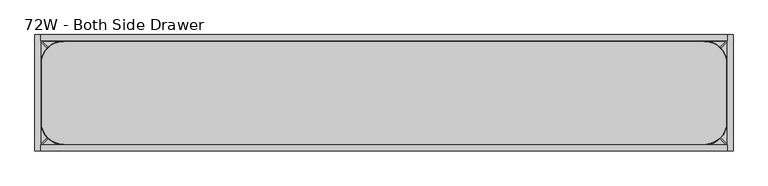
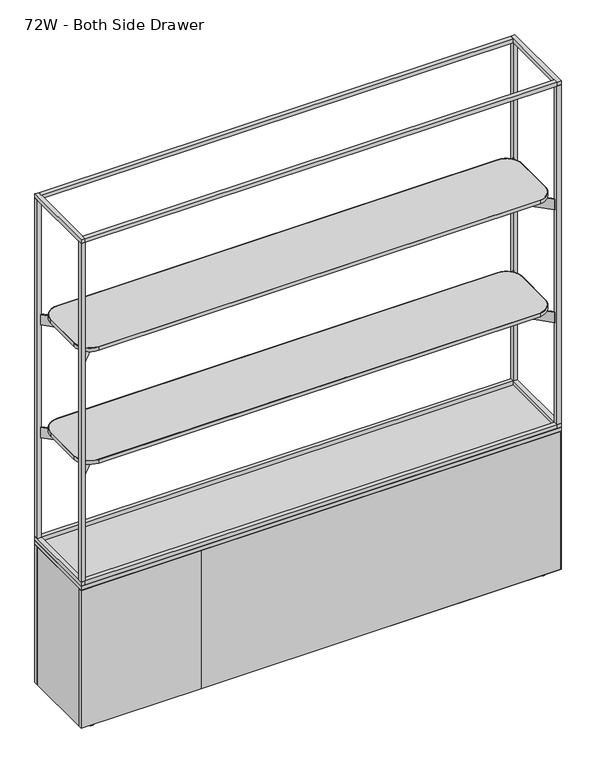
"""IFC4 building model written with IfcOpenShell, lengths in millimetres: furniture geometry, 72W - Both Side Drawer."""

from ifc_helpers import new_model, si_unit, point, frame, frame_2d, origin, place, context, project, spatial, polyline, circle_curve, trimmed, segment, composite_curve, outline, extrude, source, transform, mapped, element, save
from ifc_brep_helpers import plane_surface, cylinder_surface, revolved_surface, advanced_brep


def furniture_72w_both_side_drawer_abf2aa92(model_context):
    return source(origin(), model_context, "Body", "SolidModel", [
        extrude(outline(composite_curve([segment(trimmed(circle_curve(frame_2d((75.8254378, -75.8242865)), 59.944), [point((15.8814378, -75.8242865))], [point((75.8254378, -15.8802865))], False, "CARTESIAN"), True, "CONTINUOUS"), segment(polyline([(75.8254378, -15.8802865), (1752.9745622, -15.8802865)]), True, "CONTINUOUS"), segment(trimmed(circle_curve(frame_2d((1752.9745622, -75.8242865)), 59.944), [point((1752.9745622, -15.8802865))], [point((1812.9185622, -75.8242865))], False, "CARTESIAN"), True, "CONTINUOUS"), segment(polyline([(1812.9185622, -75.8242865), (1812.9185622, -229.1877994)]), True, "CONTINUOUS"), segment(trimmed(circle_curve(frame_2d((1752.9745622, -229.1877994)), 59.944), [point((1812.9185622, -229.1877994))], [point((1758.0138969, -288.9196021))], False, "CARTESIAN"), True, "CONTINUOUS"), segment(polyline([(1758.0138969, -288.9196021), (75.9054892, -288.9196021)]), True, "CONTINUOUS"), segment(trimmed(circle_curve(frame_2d((75.9054892, -228.8955507)), 60.0240513), [point((75.9054892, -288.9196021))], [point((15.8814378, -228.8955507))], False, "CARTESIAN"), True, "CONTINUOUS"), segment(polyline([(15.8814378, -228.8955507), (15.8814378, -75.8242865)]), True, "CONTINUOUS")], self_intersect=False), holes=[composite_curve([segment(polyline([(1753.0050916, -17.3811918), (75.7950053, -17.3811918)]), True, "CONTINUOUS"), segment(trimmed(circle_curve(frame_2d((75.7950053, -75.8011918)), 58.42), [point((75.7950053, -17.3811918))], [point((17.3750053, -75.8011918))], True, "CARTESIAN"), True, "CONTINUOUS"), segment(polyline([(17.3750053, -75.8011918), (17.3750053, -228.9211866)]), True, "CONTINUOUS"), segment(trimmed(circle_curve(frame_2d((75.8750567, -228.9211866)), 58.5000513), [point((17.3750053, -228.9211866))], [point((75.8827762, -287.4212374))], True, "CARTESIAN"), True, "CONTINUOUS"), segment(polyline([(75.8827762, -287.4212374), (1757.6701856, -287.4212374)]), True, "CONTINUOUS"), segment(trimmed(circle_curve(frame_2d((1753.0050916, -229.1877994)), 58.42), [point((1757.6701856, -287.4212374))], [point((1811.4250916, -229.1877994))], True, "CARTESIAN"), True, "CONTINUOUS"), segment(polyline([(1811.4250916, -229.1877994), (1811.4250916, -75.8011918)]), True, "CONTINUOUS"), segment(trimmed(circle_curve(frame_2d((1753.0050916, -75.8011918)), 58.42), [point((1811.4250916, -75.8011918))], [point((1753.0050916, -17.3811918))], True, "CARTESIAN"), True, "CONTINUOUS")], self_intersect=False)]), frame((0.0, 0.0, 1504.6380035), z_axis=(0.0, 0.0, 1.0), x_axis=(1.0, 0.0, 0.0)), (0.0, 0.0, 1.0), 13.8177612),
        extrude(outline(polyline([(-161.9665934, 1498.3383551), (-143.317536, 1498.3383551), (-143.317536, 1495.9705532), (-144.4220029, 1494.8660863), (-160.8082501, 1494.8660863), (-161.9665934, 1496.0244297), (-161.9665934, 1498.3383551)])), frame((185.6954716, 0.0, 0.0), z_axis=(1.0, 0.0, 0.0), x_axis=(0.0, 1.0, 0.0)), (0.0, 0.0, 1.0), 1457.4090567),
        extrude(outline(polyline([(-177.0817057, 1504.2068283), (-128.2024237, 1504.2068283), (-128.2024237, 1500.5035098), (-135.8974528, 1496.5826966), (-143.317536, 1494.5944913), (-143.317536, 1498.3383551), (-161.9665934, 1498.3383551), (-161.9665934, 1494.5944913), (-169.3866765, 1496.5826966), (-177.0817057, 1500.5035098), (-177.0817057, 1504.2068283)])), frame((185.6954716, 0.0, 0.0), z_axis=(1.0, 0.0, 0.0), x_axis=(0.0, 1.0, 0.0)), (0.0, 0.0, 1.0), 1457.4090567),
        extrude(outline(polyline([(-161.9665934, 1044.3133551), (-143.317536, 1044.3133551), (-143.317536, 1041.9455532), (-144.4220029, 1040.8410863), (-160.8082501, 1040.8410863), (-161.9665934, 1041.9994297), (-161.9665934, 1044.3133551)])), frame((185.6954716, 0.0, 0.0), z_axis=(1.0, 0.0, 0.0), x_axis=(0.0, 1.0, 0.0)), (0.0, 0.0, 1.0), 1457.4090567),
        extrude(outline(polyline([(-177.0817057, 1050.1818283), (-128.2024237, 1050.1818283), (-128.2024237, 1046.4785098), (-135.8974528, 1042.5576966), (-143.317536, 1040.5694913), (-143.317536, 1044.3133551), (-161.9665934, 1044.3133551), (-161.9665934, 1040.5694913), (-169.3866765, 1042.5576966), (-177.0817057, 1046.4785098), (-177.0817057, 1050.1818283)])), frame((185.6954716, 0.0, 0.0), z_axis=(1.0, 0.0, 0.0), x_axis=(0.0, 1.0, 0.0)), (0.0, 0.0, 1.0), 1457.4090567),
        extrude(outline(composite_curve([segment(trimmed(circle_curve(frame_2d((1753.0050916, -75.8011918)), 58.42), [point((1753.0050916, -17.3811918))], [point((1811.4250916, -75.8011918))], False, "CARTESIAN"), True, "CONTINUOUS"), segment(polyline([(1811.4250916, -75.8011918), (1811.4250916, -229.1877994)]), True, "CONTINUOUS"), segment(trimmed(circle_curve(frame_2d((1753.0050916, -229.1877994)), 58.42), [point((1811.4250916, -229.1877994))], [point((1757.6701856, -287.4212374))], False, "CARTESIAN"), True, "CONTINUOUS"), segment(polyline([(1757.6701856, -287.4212374), (75.8827762, -287.4212374)]), True, "CONTINUOUS"), segment(trimmed(circle_curve(frame_2d((75.8750567, -228.9211866)), 58.5000513), [point((75.8827762, -287.4212374))], [point((17.3750053, -228.9211866))], False, "CARTESIAN"), True, "CONTINUOUS"), segment(polyline([(17.3750053, -228.9211866), (17.3750053, -75.8011918)]), True, "CONTINUOUS"), segment(trimmed(circle_curve(frame_2d((75.7950053, -75.8011918)), 58.42), [point((17.3750053, -75.8011918))], [point((75.7950053, -17.3811918))], False, "CARTESIAN"), True, "CONTINUOUS"), segment(polyline([(75.7950053, -17.3811918), (1753.0050916, -17.3811918)]), True, "CONTINUOUS")], self_intersect=False)), frame((0.0, 0.0, 1504.6380035), z_axis=(0.0, 0.0, 1.0), x_axis=(1.0, 0.0, 0.0)), (0.0, 0.0, 1.0), 13.8177612),
        extrude(outline(composite_curve([segment(trimmed(circle_curve(frame_2d((1752.9745622, -75.8242865)), 59.944), [point((1752.9745622, -15.8802865))], [point((1812.9185622, -75.8242865))], False, "CARTESIAN"), True, "CONTINUOUS"), segment(polyline([(1812.9185622, -75.8242865), (1812.9185622, -229.1877994)]), True, "CONTINUOUS"), segment(trimmed(circle_curve(frame_2d((1752.9745622, -229.1877994)), 59.944), [point((1812.9185622, -229.1877994))], [point((1758.0138969, -288.9196021))], False, "CARTESIAN"), True, "CONTINUOUS"), segment(polyline([(1758.0138969, -288.9196021), (75.9054892, -288.9196021)]), True, "CONTINUOUS"), segment(trimmed(circle_curve(frame_2d((75.9054892, -228.8955507)), 60.0240513), [point((75.9054892, -288.9196021))], [point((15.8814378, -228.8955507))], False, "CARTESIAN"), True, "CONTINUOUS"), segment(polyline([(15.8814378, -228.8955507), (15.8814378, -75.8242865)]), True, "CONTINUOUS"), segment(trimmed(circle_curve(frame_2d((75.8254378, -75.8242865)), 59.944), [point((15.8814378, -75.8242865))], [point((75.8254378, -15.8802865))], False, "CARTESIAN"), True, "CONTINUOUS"), segment(polyline([(75.8254378, -15.8802865), (1752.9745622, -15.8802865)]), True, "CONTINUOUS")], self_intersect=False), holes=[composite_curve([segment(trimmed(circle_curve(frame_2d((75.7950053, -75.8011918)), 58.42), [point((75.7950053, -17.3811918))], [point((17.3750053, -75.8011918))], True, "CARTESIAN"), True, "CONTINUOUS"), segment(polyline([(17.3750053, -75.8011918), (17.3750053, -228.9211866)]), True, "CONTINUOUS"), segment(trimmed(circle_curve(frame_2d((75.8750567, -228.9211866)), 58.5000513), [point((17.3750053, -228.9211866))], [point((75.8827762, -287.4212374))], True, "CARTESIAN"), True, "CONTINUOUS"), segment(polyline([(75.8827762, -287.4212374), (1757.6701856, -287.4212374)]), True, "CONTINUOUS"), segment(trimmed(circle_curve(frame_2d((1753.0050916, -229.1877994)), 58.42), [point((1757.6701856, -287.4212374))], [point((1811.4250916, -229.1877994))], True, "CARTESIAN"), True, "CONTINUOUS"), segment(polyline([(1811.4250916, -229.1877994), (1811.4250916, -75.8011918)]), True, "CONTINUOUS"), segment(trimmed(circle_curve(frame_2d((1753.0050916, -75.8011918)), 58.42), [point((1811.4250916, -75.8011918))], [point((1753.0050916, -17.3811918))], True, "CARTESIAN"), True, "CONTINUOUS"), segment(polyline([(1753.0050916, -17.3811918), (75.7950053, -17.3811918)]), True, "CONTINUOUS")], self_intersect=False)]), frame((0.0, 0.0, 1050.6130035), z_axis=(0.0, 0.0, 1.0), x_axis=(1.0, 0.0, 0.0)), (0.0, 0.0, 1.0), 13.8177612),
        extrude(outline(composite_curve([segment(trimmed(circle_curve(frame_2d((1753.0050916, -75.8011918)), 58.42), [point((1753.0050916, -17.3811918))], [point((1811.4250916, -75.8011918))], False, "CARTESIAN"), True, "CONTINUOUS"), segment(polyline([(1811.4250916, -75.8011918), (1811.4250916, -229.1877994)]), True, "CONTINUOUS"), segment(trimmed(circle_curve(frame_2d((1753.0050916, -229.1877994)), 58.42), [point((1811.4250916, -229.1877994))], [point((1757.6701856, -287.4212374))], False, "CARTESIAN"), True, "CONTINUOUS"), segment(polyline([(1757.6701856, -287.4212374), (75.8827762, -287.4212374)]), True, "CONTINUOUS"), segment(trimmed(circle_curve(frame_2d((75.8750567, -228.9211866)), 58.5000513), [point((75.8827762, -287.4212374))], [point((17.3750053, -228.9211866))], False, "CARTESIAN"), True, "CONTINUOUS"), segment(polyline([(17.3750053, -228.9211866), (17.3750053, -75.8011918)]), True, "CONTINUOUS"), segment(trimmed(circle_curve(frame_2d((75.7950053, -75.8011918)), 58.42), [point((17.3750053, -75.8011918))], [point((75.7950053, -17.3811918))], False, "CARTESIAN"), True, "CONTINUOUS"), segment(polyline([(75.7950053, -17.3811918), (1753.0050916, -17.3811918)]), True, "CONTINUOUS")], self_intersect=False)), frame((0.0, 0.0, 1050.6130035), z_axis=(0.0, 0.0, 1.0), x_axis=(1.0, 0.0, 0.0)), (0.0, 0.0, 1.0), 13.8177612),
        extrude(outline(polyline([(185.6954716, -106.6550188), (185.6954716, -198.1363516), (124.7354716, -198.1363516), (124.7354716, -106.6550188), (185.6954716, -106.6550188)])), frame((0.0, 0.0, 1463.1180573), z_axis=(0.0, 0.0, 1.0), x_axis=(1.0, 0.0, 0.0)), (0.0, 0.0, 1.0), 41.5199463),
        extrude(outline(polyline([(1643.1045284, -106.6550188), (1704.0645284, -106.6550188), (1704.0645284, -198.1363516), (1643.1045284, -198.1363516), (1643.1045284, -106.6550188)])), frame((0.0, 0.0, 1463.1180573), z_axis=(0.0, 0.0, 1.0), x_axis=(1.0, 0.0, 0.0)), (0.0, 0.0, 1.0), 41.5199463),
        extrude(outline(polyline([(185.6954716, -106.6550188), (185.6954716, -198.1363516), (124.7354716, -198.1363516), (124.7354716, -106.6550188), (185.6954716, -106.6550188)])), frame((0.0, 0.0, 1009.0930573), z_axis=(0.0, 0.0, 1.0), x_axis=(1.0, 0.0, 0.0)), (0.0, 0.0, 1.0), 41.5199463),
        extrude(outline(polyline([(1704.0645284, -106.6550188), (1704.0645284, -198.1363516), (1643.1045284, -198.1363516), (1643.1045284, -106.6550188), (1704.0645284, -106.6550188)])), frame((0.0, 0.0, 1009.0930573), z_axis=(0.0, 0.0, 1.0), x_axis=(1.0, 0.0, 0.0)), (0.0, 0.0, 1.0), 41.5199463),
        extrude(outline(composite_curve([segment(polyline([(87.3911774, -89.8157239), (13.4581417, -15.8822522), (15.8765503, -13.4638437), (89.809053, -87.3967582)]), True, "CONTINUOUS"), segment(trimmed(circle_curve(frame_2d((128.3291811, -48.8768447)), 54.4755358), [point((89.809053, -87.3967582))], [point((124.7354716, -103.2337141))], True, "CARTESIAN"), True, "CONTINUOUS"), segment(polyline([(124.7354716, -103.2337141), (1704.0645284, -103.2337141)]), True, "CONTINUOUS"), segment(trimmed(circle_curve(frame_2d((1700.4853714, -48.8831384)), 54.4682976), [point((1704.0645284, -103.2337141))], [point((1739.0002487, -87.3980663))], True, "CARTESIAN"), True, "CONTINUOUS"), segment(polyline([(1739.0002487, -87.3980663), (1812.933139, -13.4652728), (1815.3515597, -15.8836935), (1741.4181244, -89.817032)]), True, "CONTINUOUS"), segment(trimmed(circle_curve(frame_2d((1704.0645284, -56.8031881)), 49.8518307), [point((1741.4181244, -89.817032))], [point((1704.0645284, -106.6550188))], False, "CARTESIAN"), True, "CONTINUOUS"), segment(polyline([(1704.0645284, -106.6550188), (124.7354716, -106.6550188)]), True, "CONTINUOUS"), segment(trimmed(circle_curve(frame_2d((124.7354716, -56.8263835)), 49.8286353), [point((124.7354716, -106.6550188))], [point((87.3911774, -89.8157239))], False, "CARTESIAN"), True, "CONTINUOUS")], self_intersect=False)), frame((0.0, 0.0, 1463.1180573), z_axis=(0.0, 0.0, 1.0), x_axis=(1.0, 0.0, 0.0)), (0.0, 0.0, 1.0), 41.5199463),
        extrude(outline(composite_curve([segment(trimmed(circle_curve(frame_2d((1700.4695146, -255.9344745)), 57.909819), [point((1704.0645284, -198.1363516))], [point((1741.4180275, -214.986136))], False, "CARTESIAN"), True, "CONTINUOUS"), segment(polyline([(1741.4180275, -214.986136), (1815.3448135, -288.9132369), (1812.926405, -291.3316455), (1739.0001518, -217.4051017)]), True, "CONTINUOUS"), segment(trimmed(circle_curve(frame_2d((1704.0645284, -248.0197355)), 46.4516263), [point((1739.0001518, -217.4051017))], [point((1704.0645284, -201.5681092))], True, "CARTESIAN"), True, "CONTINUOUS"), segment(polyline([(1704.0645284, -201.5681092), (124.7354716, -201.5681092)]), True, "CONTINUOUS"), segment(trimmed(circle_curve(frame_2d((128.3250754, -255.9203711)), 54.4706676), [point((124.7354716, -201.5681092))], [point((89.8084717, -217.4038179))], True, "CARTESIAN"), True, "CONTINUOUS"), segment(polyline([(89.8084717, -217.4038179), (15.8821217, -291.3302648), (13.4637131, -288.9118562), (87.390596, -214.9848279)]), True, "CONTINUOUS"), segment(trimmed(circle_curve(frame_2d((124.7354716, -247.9483006)), 49.8119491), [point((87.390596, -214.9848279))], [point((124.7354716, -198.1363516))], False, "CARTESIAN"), True, "CONTINUOUS"), segment(polyline([(124.7354716, -198.1363516), (1704.0645284, -198.1363516)]), True, "CONTINUOUS")], self_intersect=False)), frame((0.0, 0.0, 1463.1180573), z_axis=(0.0, 0.0, 1.0), x_axis=(1.0, 0.0, 0.0)), (0.0, 0.0, 1.0), 41.5199463),
        extrude(outline(composite_curve([segment(polyline([(87.3911774, -89.8157239), (13.4581417, -15.8822522), (15.8765503, -13.4638437), (89.809053, -87.3967582)]), True, "CONTINUOUS"), segment(trimmed(circle_curve(frame_2d((128.3291811, -48.8768447)), 54.4755358), [point((89.809053, -87.3967582))], [point((124.7354716, -103.2337141))], True, "CARTESIAN"), True, "CONTINUOUS"), segment(polyline([(124.7354716, -103.2337141), (1704.0645284, -103.2337141)]), True, "CONTINUOUS"), segment(trimmed(circle_curve(frame_2d((1700.4853714, -48.8831384)), 54.4682976), [point((1704.0645284, -103.2337141))], [point((1739.0002487, -87.3980663))], True, "CARTESIAN"), True, "CONTINUOUS"), segment(polyline([(1739.0002487, -87.3980663), (1812.933139, -13.4652728), (1815.3515597, -15.8836935), (1741.4181244, -89.817032)]), True, "CONTINUOUS"), segment(trimmed(circle_curve(frame_2d((1704.0645284, -56.8031881)), 49.8518307), [point((1741.4181244, -89.817032))], [point((1704.0645284, -106.6550188))], False, "CARTESIAN"), True, "CONTINUOUS"), segment(polyline([(1704.0645284, -106.6550188), (124.7354716, -106.6550188)]), True, "CONTINUOUS"), segment(trimmed(circle_curve(frame_2d((124.7354716, -56.8263835)), 49.8286353), [point((124.7354716, -106.6550188))], [point((87.3911774, -89.8157239))], False, "CARTESIAN"), True, "CONTINUOUS")], self_intersect=False)), frame((0.0, 0.0, 1009.0930573), z_axis=(0.0, 0.0, 1.0), x_axis=(1.0, 0.0, 0.0)), (0.0, 0.0, 1.0), 41.5199463),
        extrude(outline(composite_curve([segment(trimmed(circle_curve(frame_2d((1700.4695146, -255.9344745)), 57.909819), [point((1704.0645284, -198.1363516))], [point((1741.4180275, -214.986136))], False, "CARTESIAN"), True, "CONTINUOUS"), segment(polyline([(1741.4180275, -214.986136), (1815.3448135, -288.9132369), (1812.926405, -291.3316455), (1739.0001518, -217.4051017)]), True, "CONTINUOUS"), segment(trimmed(circle_curve(frame_2d((1704.0645284, -248.0197355)), 46.4516263), [point((1739.0001518, -217.4051017))], [point((1704.0645284, -201.5681092))], True, "CARTESIAN"), True, "CONTINUOUS"), segment(polyline([(1704.0645284, -201.5681092), (124.7354716, -201.5681092)]), True, "CONTINUOUS"), segment(trimmed(circle_curve(frame_2d((128.3250754, -255.9203711)), 54.4706676), [point((124.7354716, -201.5681092))], [point((89.8084717, -217.4038179))], True, "CARTESIAN"), True, "CONTINUOUS"), segment(polyline([(89.8084717, -217.4038179), (15.8821217, -291.3302648), (13.4637131, -288.9118562), (87.390596, -214.9848279)]), True, "CONTINUOUS"), segment(trimmed(circle_curve(frame_2d((124.7354716, -247.9483006)), 49.8119491), [point((87.390596, -214.9848279))], [point((124.7354716, -198.1363516))], False, "CARTESIAN"), True, "CONTINUOUS"), segment(polyline([(124.7354716, -198.1363516), (1704.0645284, -198.1363516)]), True, "CONTINUOUS")], self_intersect=False)), frame((0.0, 0.0, 1009.0930573), z_axis=(0.0, 0.0, 1.0), x_axis=(1.0, 0.0, 0.0)), (0.0, 0.0, 1.0), 41.5199463),
        extrude(outline(polyline([(1812.9185622, 0.0), (1812.9185622, -15.8802865), (15.8814378, -15.8802865), (15.8814378, 0.0), (1812.9185622, 0.0)])), frame((0.0, 0.0, 1969.4305479), z_axis=(0.0, 0.0, 1.0), x_axis=(1.0, 0.0, 0.0)), (0.0, 0.0, 1.0), 15.3798752),
        extrude(outline(polyline([(1812.9185622, -288.9196021), (1812.9185622, -304.8), (15.8814378, -304.8), (15.8814378, -288.9196021), (1812.9185622, -288.9196021)])), frame((0.0, 0.0, 1969.4305479), z_axis=(0.0, 0.0, 1.0), x_axis=(1.0, 0.0, 0.0)), (0.0, 0.0, 1.0), 15.3798752),
        extrude(outline(polyline([(1812.9185622, 0.0), (1812.9185622, -15.8802865), (15.8814378, -15.8802865), (15.8814378, 0.0), (1812.9185622, 0.0)])), frame((0.0, 0.0, 591.366423), z_axis=(0.0, 0.0, 1.0), x_axis=(1.0, 0.0, 0.0)), (0.0, 0.0, 1.0), 15.8800385),
        extrude(outline(polyline([(1812.9185622, -288.9196021), (1812.9185622, -304.8), (15.8814378, -304.8), (15.8814378, -288.9196021), (1812.9185622, -288.9196021)])), frame((0.0, 0.0, 591.366423), z_axis=(0.0, 0.0, 1.0), x_axis=(1.0, 0.0, 0.0)), (0.0, 0.0, 1.0), 15.8800385),
        extrude(outline(polyline([(15.8814378, 0.0), (15.8814378, -15.8802865), (0.0, -15.8802865), (0.0, 0.0), (15.8814378, 0.0)])), frame((0.0, 0.0, 607.2464615), z_axis=(0.0, 0.0, 1.0), x_axis=(1.0, 0.0, 0.0)), (0.0, 0.0, 1.0), 1362.1840864),
        extrude(outline(polyline([(15.8814378, -304.8), (0.0, -304.8), (0.0, -288.9196021), (15.8814378, -288.9196021), (15.8814378, -304.8)])), frame((0.0, 0.0, 607.2464615), z_axis=(0.0, 0.0, 1.0), x_axis=(1.0, 0.0, 0.0)), (0.0, 0.0, 1.0), 1362.1840864),
        extrude(outline(polyline([(1812.9185622, -304.8), (1812.9185622, -288.9196021), (1828.8, -288.9196021), (1828.8, -304.8), (1812.9185622, -304.8)])), frame((0.0, 0.0, 607.2464615), z_axis=(0.0, 0.0, 1.0), x_axis=(1.0, 0.0, 0.0)), (0.0, 0.0, 1.0), 1362.1840864),
        extrude(outline(polyline([(1828.8, 0.0), (1828.8, -15.8802865), (1812.9185622, -15.8802865), (1812.9185622, 0.0), (1828.8, 0.0)])), frame((0.0, 0.0, 607.2464615), z_axis=(0.0, 0.0, 1.0), x_axis=(1.0, 0.0, 0.0)), (0.0, 0.0, 1.0), 1362.1840864),
        extrude(outline(polyline([(15.8814378, 0.0), (15.8814378, -304.8), (0.0, -304.8), (0.0, 0.0), (15.8814378, 0.0)])), frame((0.0, 0.0, 1969.4305479), z_axis=(0.0, 0.0, 1.0), x_axis=(1.0, 0.0, 0.0)), (0.0, 0.0, 1.0), 15.3798752),
        extrude(outline(polyline([(1828.8, 0.0), (1828.8, -304.8), (1812.9185622, -304.8), (1812.9185622, 0.0), (1828.8, 0.0)])), frame((0.0, 0.0, 1969.4305479), z_axis=(0.0, 0.0, 1.0), x_axis=(1.0, 0.0, 0.0)), (0.0, 0.0, 1.0), 15.3798752),
        extrude(outline(polyline([(15.8814378, 0.0), (15.8814378, -304.8), (0.0, -304.8), (0.0, 0.0), (15.8814378, 0.0)])), frame((0.0, 0.0, 591.366423), z_axis=(0.0, 0.0, 1.0), x_axis=(1.0, 0.0, 0.0)), (0.0, 0.0, 1.0), 15.8800385),
        extrude(outline(polyline([(1828.8, 0.0), (1828.8, -304.8), (1812.9185622, -304.8), (1812.9185622, 0.0), (1828.8, 0.0)])), frame((0.0, 0.0, 591.366423), z_axis=(0.0, 0.0, 1.0), x_axis=(1.0, 0.0, 0.0)), (0.0, 0.0, 1.0), 15.8800385),
        extrude(outline(polyline([(457.1219305, -15.8802865), (0.9983887, -15.8802865), (0.9983887, 0.0), (457.1219305, 0.0), (457.1219305, -15.8802865)])), frame((0.0, 0.0, 19.3136951), z_axis=(0.0, 0.0, 1.0), x_axis=(1.0, 0.0, 0.0)), (0.0, 0.0, 1.0), 553.7825737),
        extrude(outline(polyline([(1826.664632, -15.8802865), (457.2835412, -15.8802865), (457.2835412, 0.0), (1826.664632, 0.0), (1826.664632, -15.8802865)])), frame((0.0, 0.0, 19.3136951), z_axis=(0.0, 0.0, 1.0), x_axis=(1.0, 0.0, 0.0)), (0.0, 0.0, 1.0), 553.7825737),
        extrude(outline(polyline([(457.1219305, -304.8), (0.9983887, -304.8), (0.9983887, -288.9196021), (457.1219305, -288.9196021), (457.1219305, -304.8)])), frame((0.0, 0.0, 19.3136951), z_axis=(0.0, 0.0, 1.0), x_axis=(1.0, 0.0, 0.0)), (0.0, 0.0, 1.0), 553.7825737),
        extrude(outline(polyline([(1826.664632, -304.8), (457.2835412, -304.8), (457.2835412, -288.9196021), (1826.664632, -288.9196021), (1826.664632, -304.8)])), frame((0.0, 0.0, 19.3136951), z_axis=(0.0, 0.0, 1.0), x_axis=(1.0, 0.0, 0.0)), (0.0, 0.0, 1.0), 553.7825737),
        advanced_brep(
        [(1761.6272617, -271.5259334, 0.0), (1787.0491543, -271.5259334, 0.0), (1774.338208, -271.5259334, 0.0), (1774.338208, -271.5259334, 19.3136951), (1778.3127534, -271.5259334, 19.3136951), (1770.3636626, -271.5259334, 19.3136951), (1778.3127534, -271.5259334, 17.5685649), (1770.3636626, -271.5259334, 17.5685649), (1779.8118035, -271.5259334, 14.972134), (1768.8646125, -271.5259334, 14.972134), (1782.3357304, -271.5259334, 14.0032892), (1766.3406856, -271.5259334, 14.0032892), (1782.3357304, -271.5259334, 10.3232424), (1766.3406856, -271.5259334, 10.3232424), (1781.3964898, -271.5259334, 10.3232424), (1767.2799262, -271.5259334, 10.3232424), (1781.3964898, -271.5259334, 8.9619405), (1767.2799262, -271.5259334, 8.9619405), (1789.4002193, -271.5259334, 3.3576688), (1759.2761967, -271.5259334, 3.3576688)],
        [
            (0, 1, circle_curve(frame((1774.338208, -271.5259334, 0.0), z_axis=(0.0, 0.0, -1.0), x_axis=(1.0, 0.0, 0.0)), 12.7109463)),
            (1, 2),
            (2, 0),
            (1, 0, circle_curve(frame((1774.338208, -271.5259334, 0.0), z_axis=(0.0, 0.0, -1.0), x_axis=(1.0, 0.0, 0.0)), 12.7109463)),
            (3, 4),
            (4, 5, circle_curve(frame((1774.338208, -271.5259334, 19.3136951), z_axis=(0.0, 0.0, 1.0), x_axis=(1.0, 0.0, 0.0)), 3.9745454)),
            (5, 3),
            (5, 4, circle_curve(frame((1774.338208, -271.5259334, 19.3136951), z_axis=(0.0, 0.0, 1.0), x_axis=(1.0, 0.0, 0.0)), 3.9745454)),
            (4, 6),
            (6, 7, circle_curve(frame((1774.338208, -271.5259334, 17.5685649), z_axis=(0.0, 0.0, 1.0), x_axis=(1.0, 0.0, 0.0)), 3.9745454)),
            (7, 5),
            (7, 6, circle_curve(frame((1774.338208, -271.5259334, 17.5685649), z_axis=(0.0, 0.0, 1.0), x_axis=(1.0, 0.0, 0.0)), 3.9745454)),
            (6, 8),
            (8, 9, circle_curve(frame((1774.338208, -271.5259334, 14.972134), z_axis=(0.0, 0.0, 1.0), x_axis=(1.0, 0.0, 0.0)), 5.4735955)),
            (9, 7),
            (9, 8, circle_curve(frame((1774.338208, -271.5259334, 14.972134), z_axis=(0.0, 0.0, 1.0), x_axis=(1.0, 0.0, 0.0)), 5.4735955)),
            (8, 10),
            (10, 11, circle_curve(frame((1774.338208, -271.5259334, 14.0032892), z_axis=(0.0, 0.0, 1.0), x_axis=(1.0, 0.0, 0.0)), 7.9975224)),
            (11, 9),
            (11, 10, circle_curve(frame((1774.338208, -271.5259334, 14.0032892), z_axis=(0.0, 0.0, 1.0), x_axis=(1.0, 0.0, 0.0)), 7.9975224)),
            (10, 12),
            (12, 13, circle_curve(frame((1774.338208, -271.5259334, 10.3232424), z_axis=(0.0, 0.0, 1.0), x_axis=(1.0, 0.0, 0.0)), 7.9975224)),
            (13, 11),
            (13, 12, circle_curve(frame((1774.338208, -271.5259334, 10.3232424), z_axis=(0.0, 0.0, 1.0), x_axis=(1.0, 0.0, 0.0)), 7.9975224)),
            (12, 14),
            (14, 15, circle_curve(frame((1774.338208, -271.5259334, 10.3232424), z_axis=(0.0, 0.0, 1.0), x_axis=(1.0, 0.0, 0.0)), 7.0582818)),
            (15, 13),
            (15, 14, circle_curve(frame((1774.338208, -271.5259334, 10.3232424), z_axis=(0.0, 0.0, 1.0), x_axis=(1.0, 0.0, 0.0)), 7.0582818)),
            (14, 16),
            (16, 17, circle_curve(frame((1774.338208, -271.5259334, 8.9619405), z_axis=(0.0, 0.0, 1.0), x_axis=(1.0, 0.0, 0.0)), 7.0582818)),
            (17, 15),
            (17, 16, circle_curve(frame((1774.338208, -271.5259334, 8.9619405), z_axis=(0.0, 0.0, 1.0), x_axis=(1.0, 0.0, 0.0)), 7.0582818)),
            (16, 18),
            (18, 19, circle_curve(frame((1774.338208, -271.5259334, 3.3576688), z_axis=(0.0, 0.0, 1.0), x_axis=(1.0, 0.0, 0.0)), 15.0620113)),
            (19, 17),
            (19, 18, circle_curve(frame((1774.338208, -271.5259334, 3.3576688), z_axis=(0.0, 0.0, 1.0), x_axis=(1.0, 0.0, 0.0)), 15.0620113)),
            (18, 1),
            (0, 19),
        ],
        [
            plane_surface(frame((1774.338208, -271.5259334, 0.0), z_axis=(0.0, 0.0, -1.0), x_axis=(1.0, 0.0, 0.0))),
            plane_surface(frame((1774.338208, -271.5259334, 19.3136951), z_axis=(0.0, 0.0, 1.0), x_axis=(1.0, 0.0, 0.0))),
            cylinder_surface(frame((1774.338208, -271.5259334, -304.8), z_axis=(0.0, 0.0, 1.0), x_axis=(1.0, 0.0, 0.0)), 3.9745454),
            revolved_surface(polyline([(1779.8118035, -271.5259334, 14.972134), (1778.3127534, -271.5259334, 17.5685649)]), (1774.338208, -271.5259334, -304.8), (0.0, 0.0, 1.0)),
            revolved_surface(polyline([(1782.3357304, -271.5259334, 14.0032892), (1779.8118035, -271.5259334, 14.972134)]), (1774.338208, -271.5259334, -304.8), (0.0, 0.0, 1.0)),
            cylinder_surface(frame((1774.338208, -271.5259334, -304.8), z_axis=(0.0, 0.0, 1.0), x_axis=(1.0, 0.0, 0.0)), 7.9975224),
            plane_surface(frame((1774.338208, -271.5259334, 10.3232424), z_axis=(0.0, 0.0, -1.0), x_axis=(1.0, 0.0, 0.0))),
            cylinder_surface(frame((1774.338208, -271.5259334, -304.8), z_axis=(0.0, 0.0, 1.0), x_axis=(1.0, 0.0, 0.0)), 7.0582818),
            revolved_surface(polyline([(1789.4002193, -271.5259334, 3.3576688), (1781.3964898, -271.5259334, 8.9619405)]), (1774.338208, -271.5259334, -304.8), (0.0, 0.0, 1.0)),
            revolved_surface(polyline([(1787.0491543, -271.5259334, 0.0), (1789.4002193, -271.5259334, 3.3576688)]), (1774.338208, -271.5259334, -304.8), (0.0, 0.0, 1.0)),
        ],
        [
            (0, [[1, 2, 3]]),
            (0, [[4, -3, -2]]),
            (1, [[5, 6, 7]]),
            (1, [[-7, 8, -5]]),
            (2, [[-6, 9, 10, 11]]),
            (2, [[-8, -11, 12, -9]]),
            (3, [[-10, 13, 14, 15]]),
            (3, [[-12, -15, 16, -13]]),
            (4, [[-14, 17, 18, 19]]),
            (4, [[-16, -19, 20, -17]]),
            (5, [[-18, 21, 22, 23]]),
            (5, [[-20, -23, 24, -21]]),
            (6, [[-22, 25, 26, 27]]),
            (6, [[-24, -27, 28, -25]]),
            (7, [[-26, 29, 30, 31]]),
            (7, [[-28, -31, 32, -29]]),
            (8, [[-30, 33, 34, 35]]),
            (8, [[-32, -35, 36, -33]]),
            (9, [[-34, 37, -1, 38]]),
            (9, [[-36, -38, -4, -37]]),
        ],
    ),
        advanced_brep(
        [(1761.6272617, -33.2572239, 0.0), (1787.0491543, -33.2572239, 0.0), (1774.338208, -33.2572239, 0.0), (1774.338208, -33.2572239, 19.3136951), (1778.3127534, -33.2572239, 19.3136951), (1770.3636626, -33.2572239, 19.3136951), (1778.3127534, -33.2572239, 17.5685649), (1770.3636626, -33.2572239, 17.5685649), (1779.8118035, -33.2572239, 14.972134), (1768.8646125, -33.2572239, 14.972134), (1782.3357304, -33.2572239, 14.0032892), (1766.3406856, -33.2572239, 14.0032892), (1782.3357304, -33.2572239, 10.3232424), (1766.3406856, -33.2572239, 10.3232424), (1781.3964898, -33.2572239, 10.3232424), (1767.2799262, -33.2572239, 10.3232424), (1781.3964898, -33.2572239, 8.9619405), (1767.2799262, -33.2572239, 8.9619405), (1789.4002193, -33.2572239, 3.3576688), (1759.2761967, -33.2572239, 3.3576688)],
        [
            (0, 1, circle_curve(frame((1774.338208, -33.2572239, 0.0), z_axis=(0.0, 0.0, -1.0), x_axis=(1.0, 0.0, 0.0)), 12.7109463)),
            (1, 2),
            (2, 0),
            (1, 0, circle_curve(frame((1774.338208, -33.2572239, 0.0), z_axis=(0.0, 0.0, -1.0), x_axis=(1.0, 0.0, 0.0)), 12.7109463)),
            (3, 4),
            (4, 5, circle_curve(frame((1774.338208, -33.2572239, 19.3136951), z_axis=(0.0, 0.0, 1.0), x_axis=(1.0, 0.0, 0.0)), 3.9745454)),
            (5, 3),
            (5, 4, circle_curve(frame((1774.338208, -33.2572239, 19.3136951), z_axis=(0.0, 0.0, 1.0), x_axis=(1.0, 0.0, 0.0)), 3.9745454)),
            (4, 6),
            (6, 7, circle_curve(frame((1774.338208, -33.2572239, 17.5685649), z_axis=(0.0, 0.0, 1.0), x_axis=(1.0, 0.0, 0.0)), 3.9745454)),
            (7, 5),
            (7, 6, circle_curve(frame((1774.338208, -33.2572239, 17.5685649), z_axis=(0.0, 0.0, 1.0), x_axis=(1.0, 0.0, 0.0)), 3.9745454)),
            (6, 8),
            (8, 9, circle_curve(frame((1774.338208, -33.2572239, 14.972134), z_axis=(0.0, 0.0, 1.0), x_axis=(1.0, 0.0, 0.0)), 5.4735955)),
            (9, 7),
            (9, 8, circle_curve(frame((1774.338208, -33.2572239, 14.972134), z_axis=(0.0, 0.0, 1.0), x_axis=(1.0, 0.0, 0.0)), 5.4735955)),
            (8, 10),
            (10, 11, circle_curve(frame((1774.338208, -33.2572239, 14.0032892), z_axis=(0.0, 0.0, 1.0), x_axis=(1.0, 0.0, 0.0)), 7.9975224)),
            (11, 9),
            (11, 10, circle_curve(frame((1774.338208, -33.2572239, 14.0032892), z_axis=(0.0, 0.0, 1.0), x_axis=(1.0, 0.0, 0.0)), 7.9975224)),
            (10, 12),
            (12, 13, circle_curve(frame((1774.338208, -33.2572239, 10.3232424), z_axis=(0.0, 0.0, 1.0), x_axis=(1.0, 0.0, 0.0)), 7.9975224)),
            (13, 11),
            (13, 12, circle_curve(frame((1774.338208, -33.2572239, 10.3232424), z_axis=(0.0, 0.0, 1.0), x_axis=(1.0, 0.0, 0.0)), 7.9975224)),
            (12, 14),
            (14, 15, circle_curve(frame((1774.338208, -33.2572239, 10.3232424), z_axis=(0.0, 0.0, 1.0), x_axis=(1.0, 0.0, 0.0)), 7.0582818)),
            (15, 13),
            (15, 14, circle_curve(frame((1774.338208, -33.2572239, 10.3232424), z_axis=(0.0, 0.0, 1.0), x_axis=(1.0, 0.0, 0.0)), 7.0582818)),
            (14, 16),
            (16, 17, circle_curve(frame((1774.338208, -33.2572239, 8.9619405), z_axis=(0.0, 0.0, 1.0), x_axis=(1.0, 0.0, 0.0)), 7.0582818)),
            (17, 15),
            (17, 16, circle_curve(frame((1774.338208, -33.2572239, 8.9619405), z_axis=(0.0, 0.0, 1.0), x_axis=(1.0, 0.0, 0.0)), 7.0582818)),
            (16, 18),
            (18, 19, circle_curve(frame((1774.338208, -33.2572239, 3.3576688), z_axis=(0.0, 0.0, 1.0), x_axis=(1.0, 0.0, 0.0)), 15.0620113)),
            (19, 17),
            (19, 18, circle_curve(frame((1774.338208, -33.2572239, 3.3576688), z_axis=(0.0, 0.0, 1.0), x_axis=(1.0, 0.0, 0.0)), 15.0620113)),
            (18, 1),
            (0, 19),
        ],
        [
            plane_surface(frame((1774.338208, -33.2572239, 0.0), z_axis=(0.0, 0.0, -1.0), x_axis=(1.0, 0.0, 0.0))),
            plane_surface(frame((1774.338208, -33.2572239, 19.3136951), z_axis=(0.0, 0.0, 1.0), x_axis=(1.0, 0.0, 0.0))),
            cylinder_surface(frame((1774.338208, -33.2572239, -304.8), z_axis=(0.0, 0.0, 1.0), x_axis=(1.0, 0.0, 0.0)), 3.9745454),
            revolved_surface(polyline([(1779.8118035, -33.2572239, 14.972134), (1778.3127534, -33.2572239, 17.5685649)]), (1774.338208, -33.2572239, -304.8), (0.0, 0.0, 1.0)),
            revolved_surface(polyline([(1782.3357304, -33.2572239, 14.0032892), (1779.8118035, -33.2572239, 14.972134)]), (1774.338208, -33.2572239, -304.8), (0.0, 0.0, 1.0)),
            cylinder_surface(frame((1774.338208, -33.2572239, -304.8), z_axis=(0.0, 0.0, 1.0), x_axis=(1.0, 0.0, 0.0)), 7.9975224),
            plane_surface(frame((1774.338208, -33.2572239, 10.3232424), z_axis=(0.0, 0.0, -1.0), x_axis=(1.0, 0.0, 0.0))),
            cylinder_surface(frame((1774.338208, -33.2572239, -304.8), z_axis=(0.0, 0.0, 1.0), x_axis=(1.0, 0.0, 0.0)), 7.0582818),
            revolved_surface(polyline([(1789.4002193, -33.2572239, 3.3576688), (1781.3964898, -33.2572239, 8.9619405)]), (1774.338208, -33.2572239, -304.8), (0.0, 0.0, 1.0)),
            revolved_surface(polyline([(1787.0491543, -33.2572239, 0.0), (1789.4002193, -33.2572239, 3.3576688)]), (1774.338208, -33.2572239, -304.8), (0.0, 0.0, 1.0)),
        ],
        [
            (0, [[1, 2, 3]]),
            (0, [[4, -3, -2]]),
            (1, [[5, 6, 7]]),
            (1, [[-7, 8, -5]]),
            (2, [[-6, 9, 10, 11]]),
            (2, [[-8, -11, 12, -9]]),
            (3, [[-10, 13, 14, 15]]),
            (3, [[-12, -15, 16, -13]]),
            (4, [[-14, 17, 18, 19]]),
            (4, [[-16, -19, 20, -17]]),
            (5, [[-18, 21, 22, 23]]),
            (5, [[-20, -23, 24, -21]]),
            (6, [[-22, 25, 26, 27]]),
            (6, [[-24, -27, 28, -25]]),
            (7, [[-26, 29, 30, 31]]),
            (7, [[-28, -31, 32, -29]]),
            (8, [[-30, 33, 34, 35]]),
            (8, [[-32, -35, 36, -33]]),
            (9, [[-34, 37, -1, 38]]),
            (9, [[-36, -38, -4, -37]]),
        ],
    ),
        advanced_brep(
        [(67.1725886, -272.2343697, 0.0), (41.7506961, -272.23434, 0.0), (54.4616423, -272.2343548, 0.0), (54.4616423, -272.2343548, 19.3136951), (50.4870969, -272.2343502, 19.3136951), (58.4361878, -272.2343595, 19.3136951), (50.4870969, -272.2343502, 17.5685649), (58.4361878, -272.2343595, 17.5685649), (48.9880468, -272.2343485, 14.972134), (59.9352379, -272.2343612, 14.972134), (46.46412, -272.2343455, 14.0032892), (62.4591647, -272.2343642, 14.0032892), (46.46412, -272.2343455, 10.3232424), (62.4591647, -272.2343642, 10.3232424), (47.4033606, -272.2343466, 10.3232424), (61.5199241, -272.2343631, 10.3232424), (47.4033606, -272.2343466, 8.9619405), (61.5199241, -272.2343631, 8.9619405), (39.3996311, -272.2343373, 3.3576688), (69.5236536, -272.2343724, 3.3576688)],
        [
            (0, 1, circle_curve(frame((54.4616423, -272.2343548, 0.0), z_axis=(0.0, 0.0, -1.0), x_axis=(-0.999999999999319, 1.1670755062646865e-06, 0.0)), 12.7109463)),
            (1, 2),
            (2, 0),
            (1, 0, circle_curve(frame((54.4616423, -272.2343548, 0.0), z_axis=(0.0, 0.0, -1.0), x_axis=(-0.999999999999319, 1.1670755062646865e-06, 0.0)), 12.7109463)),
            (3, 4),
            (4, 5, circle_curve(frame((54.4616423, -272.2343548, 19.3136951), z_axis=(0.0, 0.0, 1.0), x_axis=(-0.999999999999319, 1.1670755062646865e-06, 0.0)), 3.9745454)),
            (5, 3),
            (5, 4, circle_curve(frame((54.4616423, -272.2343548, 19.3136951), z_axis=(0.0, 0.0, 1.0), x_axis=(-0.999999999999319, 1.1670755062646865e-06, 0.0)), 3.9745454)),
            (4, 6),
            (6, 7, circle_curve(frame((54.4616423, -272.2343548, 17.5685649), z_axis=(0.0, 0.0, 1.0), x_axis=(-0.999999999999319, 1.1670755062646865e-06, 0.0)), 3.9745454)),
            (7, 5),
            (7, 6, circle_curve(frame((54.4616423, -272.2343548, 17.5685649), z_axis=(0.0, 0.0, 1.0), x_axis=(-0.999999999999319, 1.1670755062646865e-06, 0.0)), 3.9745454)),
            (6, 8),
            (8, 9, circle_curve(frame((54.4616423, -272.2343548, 14.972134), z_axis=(0.0, 0.0, 1.0), x_axis=(-0.999999999999319, 1.1670755062646865e-06, 0.0)), 5.4735955)),
            (9, 7),
            (9, 8, circle_curve(frame((54.4616423, -272.2343548, 14.972134), z_axis=(0.0, 0.0, 1.0), x_axis=(-0.999999999999319, 1.1670755062646865e-06, 0.0)), 5.4735955)),
            (8, 10),
            (10, 11, circle_curve(frame((54.4616423, -272.2343548, 14.0032892), z_axis=(0.0, 0.0, 1.0), x_axis=(-0.999999999999319, 1.1670755062646865e-06, 0.0)), 7.9975224)),
            (11, 9),
            (11, 10, circle_curve(frame((54.4616423, -272.2343548, 14.0032892), z_axis=(0.0, 0.0, 1.0), x_axis=(-0.999999999999319, 1.1670755062646865e-06, 0.0)), 7.9975224)),
            (10, 12),
            (12, 13, circle_curve(frame((54.4616423, -272.2343548, 10.3232424), z_axis=(0.0, 0.0, 1.0), x_axis=(-0.999999999999319, 1.1670755062646865e-06, 0.0)), 7.9975224)),
            (13, 11),
            (13, 12, circle_curve(frame((54.4616423, -272.2343548, 10.3232424), z_axis=(0.0, 0.0, 1.0), x_axis=(-0.999999999999319, 1.1670755062646865e-06, 0.0)), 7.9975224)),
            (12, 14),
            (14, 15, circle_curve(frame((54.4616423, -272.2343548, 10.3232424), z_axis=(0.0, 0.0, 1.0), x_axis=(-0.999999999999319, 1.1670755062646865e-06, 0.0)), 7.0582818)),
            (15, 13),
            (15, 14, circle_curve(frame((54.4616423, -272.2343548, 10.3232424), z_axis=(0.0, 0.0, 1.0), x_axis=(-0.999999999999319, 1.1670755062646865e-06, 0.0)), 7.0582818)),
            (14, 16),
            (16, 17, circle_curve(frame((54.4616423, -272.2343548, 8.9619405), z_axis=(0.0, 0.0, 1.0), x_axis=(-0.999999999999319, 1.1670755062646865e-06, 0.0)), 7.0582818)),
            (17, 15),
            (17, 16, circle_curve(frame((54.4616423, -272.2343548, 8.9619405), z_axis=(0.0, 0.0, 1.0), x_axis=(-0.999999999999319, 1.1670755062646865e-06, 0.0)), 7.0582818)),
            (16, 18),
            (18, 19, circle_curve(frame((54.4616423, -272.2343548, 3.3576688), z_axis=(0.0, 0.0, 1.0), x_axis=(-0.999999999999319, 1.1670755062646865e-06, 0.0)), 15.0620113)),
            (19, 17),
            (19, 18, circle_curve(frame((54.4616423, -272.2343548, 3.3576688), z_axis=(0.0, 0.0, 1.0), x_axis=(-0.999999999999319, 1.1670755062646865e-06, 0.0)), 15.0620113)),
            (18, 1),
            (0, 19),
        ],
        [
            plane_surface(frame((54.4616423, -272.2343548, 0.0), z_axis=(0.0, 0.0, -1.0), x_axis=(-0.999999999999319, 1.1670755062646865e-06, 0.0))),
            plane_surface(frame((54.4616423, -272.2343548, 19.3136951), z_axis=(0.0, 0.0, 1.0), x_axis=(-0.999999999999319, 1.1670755062646865e-06, 0.0))),
            cylinder_surface(frame((54.4616423, -272.2343548, -304.8), z_axis=(0.0, 0.0, 1.0), x_axis=(-0.999999999999319, 1.1670755062646865e-06, 0.0)), 3.9745454),
            revolved_surface(polyline([(48.9880468, -272.2343485, 14.972134), (50.4870969, -272.2343502, 17.5685649)]), (54.4616423, -272.2343548, -304.8), (0.0, 0.0, 1.0)),
            revolved_surface(polyline([(46.46412, -272.2343455, 14.0032892), (48.9880468, -272.2343485, 14.972134)]), (54.4616423, -272.2343548, -304.8), (0.0, 0.0, 1.0)),
            cylinder_surface(frame((54.4616423, -272.2343548, -304.8), z_axis=(0.0, 0.0, 1.0), x_axis=(-0.999999999999319, 1.1670755062646865e-06, 0.0)), 7.9975224),
            plane_surface(frame((54.4616423, -272.2343548, 10.3232424), z_axis=(0.0, 0.0, -1.0), x_axis=(-0.999999999999319, 1.1670755062646865e-06, 0.0))),
            cylinder_surface(frame((54.4616423, -272.2343548, -304.8), z_axis=(0.0, 0.0, 1.0), x_axis=(-0.999999999999319, 1.1670755062646865e-06, 0.0)), 7.0582818),
            revolved_surface(polyline([(39.3996311, -272.2343373, 3.3576688), (47.4033606, -272.2343466, 8.9619405)]), (54.4616423, -272.2343548, -304.8), (0.0, 0.0, 1.0)),
            revolved_surface(polyline([(41.7506961, -272.23434, 0.0), (39.3996311, -272.2343373, 3.3576688)]), (54.4616423, -272.2343548, -304.8), (0.0, 0.0, 1.0)),
        ],
        [
            (0, [[1, 2, 3]]),
            (0, [[4, -3, -2]]),
            (1, [[5, 6, 7]]),
            (1, [[-7, 8, -5]]),
            (2, [[-6, 9, 10, 11]]),
            (2, [[-8, -11, 12, -9]]),
            (3, [[-10, 13, 14, 15]]),
            (3, [[-12, -15, 16, -13]]),
            (4, [[-14, 17, 18, 19]]),
            (4, [[-16, -19, 20, -17]]),
            (5, [[-18, 21, 22, 23]]),
            (5, [[-20, -23, 24, -21]]),
            (6, [[-22, 25, 26, 27]]),
            (6, [[-24, -27, 28, -25]]),
            (7, [[-26, 29, 30, 31]]),
            (7, [[-28, -31, 32, -29]]),
            (8, [[-30, 33, 34, 35]]),
            (8, [[-32, -35, 36, -33]]),
            (9, [[-34, 37, -1, 38]]),
            (9, [[-36, -38, -4, -37]]),
        ],
    ),
        advanced_brep(
        [(54.461792, -33.2572239, 0.0), (41.7508457, -33.2572239, 0.0), (67.1727383, -33.2572239, 0.0), (58.4363374, -33.2572239, 19.3136951), (50.4872466, -33.2572239, 19.3136951), (54.461792, -33.2572239, 19.3136951), (58.4363374, -33.2572239, 17.5685649), (50.4872466, -33.2572239, 17.5685649), (59.9353875, -33.2572239, 14.972134), (48.9881965, -33.2572239, 14.972134), (62.4593144, -33.2572239, 14.0032892), (46.4642696, -33.2572239, 14.0032892), (62.4593144, -33.2572239, 10.3232424), (46.4642696, -33.2572239, 10.3232424), (61.5200738, -33.2572239, 10.3232424), (47.4035102, -33.2572239, 10.3232424), (61.5200738, -33.2572239, 8.9619405), (47.4035102, -33.2572239, 8.9619405), (69.5238033, -33.2572239, 3.3576688), (39.3997807, -33.2572239, 3.3576688)],
        [
            (0, 1),
            (1, 2, circle_curve(frame((54.461792, -33.2572239, 0.0), z_axis=(0.0, 0.0, -1.0), x_axis=(-1.0, 0.0, 0.0)), 12.7109463)),
            (2, 0),
            (2, 1, circle_curve(frame((54.461792, -33.2572239, 0.0), z_axis=(0.0, 0.0, -1.0), x_axis=(-1.0, 0.0, 0.0)), 12.7109463)),
            (3, 4, circle_curve(frame((54.461792, -33.2572239, 19.3136951), z_axis=(0.0, 0.0, 1.0), x_axis=(-1.0, 0.0, 0.0)), 3.9745454)),
            (4, 5),
            (5, 3),
            (4, 3, circle_curve(frame((54.461792, -33.2572239, 19.3136951), z_axis=(0.0, 0.0, 1.0), x_axis=(-1.0, 0.0, 0.0)), 3.9745454)),
            (6, 7, circle_curve(frame((54.461792, -33.2572239, 17.5685649), z_axis=(0.0, 0.0, 1.0), x_axis=(-1.0, 0.0, 0.0)), 3.9745454)),
            (7, 4),
            (3, 6),
            (7, 6, circle_curve(frame((54.461792, -33.2572239, 17.5685649), z_axis=(0.0, 0.0, 1.0), x_axis=(-1.0, 0.0, 0.0)), 3.9745454)),
            (8, 9, circle_curve(frame((54.461792, -33.2572239, 14.972134), z_axis=(0.0, 0.0, 1.0), x_axis=(-1.0, 0.0, 0.0)), 5.4735955)),
            (9, 7),
            (6, 8),
            (9, 8, circle_curve(frame((54.461792, -33.2572239, 14.972134), z_axis=(0.0, 0.0, 1.0), x_axis=(-1.0, 0.0, 0.0)), 5.4735955)),
            (10, 11, circle_curve(frame((54.461792, -33.2572239, 14.0032892), z_axis=(0.0, 0.0, 1.0), x_axis=(-1.0, 0.0, 0.0)), 7.9975224)),
            (11, 9),
            (8, 10),
            (11, 10, circle_curve(frame((54.461792, -33.2572239, 14.0032892), z_axis=(0.0, 0.0, 1.0), x_axis=(-1.0, 0.0, 0.0)), 7.9975224)),
            (12, 13, circle_curve(frame((54.461792, -33.2572239, 10.3232424), z_axis=(0.0, 0.0, 1.0), x_axis=(-1.0, 0.0, 0.0)), 7.9975224)),
            (13, 11),
            (10, 12),
            (13, 12, circle_curve(frame((54.461792, -33.2572239, 10.3232424), z_axis=(0.0, 0.0, 1.0), x_axis=(-1.0, 0.0, 0.0)), 7.9975224)),
            (14, 15, circle_curve(frame((54.461792, -33.2572239, 10.3232424), z_axis=(0.0, 0.0, 1.0), x_axis=(-1.0, 0.0, 0.0)), 7.0582818)),
            (15, 13),
            (12, 14),
            (15, 14, circle_curve(frame((54.461792, -33.2572239, 10.3232424), z_axis=(0.0, 0.0, 1.0), x_axis=(-1.0, 0.0, 0.0)), 7.0582818)),
            (16, 17, circle_curve(frame((54.461792, -33.2572239, 8.9619405), z_axis=(0.0, 0.0, 1.0), x_axis=(-1.0, 0.0, 0.0)), 7.0582818)),
            (17, 15),
            (14, 16),
            (17, 16, circle_curve(frame((54.461792, -33.2572239, 8.9619405), z_axis=(0.0, 0.0, 1.0), x_axis=(-1.0, 0.0, 0.0)), 7.0582818)),
            (18, 19, circle_curve(frame((54.461792, -33.2572239, 3.3576688), z_axis=(0.0, 0.0, 1.0), x_axis=(-1.0, 0.0, 0.0)), 15.0620113)),
            (19, 17),
            (16, 18),
            (19, 18, circle_curve(frame((54.461792, -33.2572239, 3.3576688), z_axis=(0.0, 0.0, 1.0), x_axis=(-1.0, 0.0, 0.0)), 15.0620113)),
            (1, 19),
            (18, 2),
        ],
        [
            plane_surface(frame((54.461792, -33.2572239, 0.0), z_axis=(0.0, 0.0, -1.0), x_axis=(-1.0, 0.0, 0.0))),
            plane_surface(frame((54.461792, -33.2572239, 19.3136951), z_axis=(0.0, 0.0, 1.0), x_axis=(-1.0, 0.0, 0.0))),
            cylinder_surface(frame((54.461792, -33.2572239, -304.8), z_axis=(0.0, 0.0, -1.0), x_axis=(-1.0, 0.0, 0.0)), 3.9745454),
            revolved_surface(polyline([(50.4872466, -33.2572239, 17.5685649), (48.9881965, -33.2572239, 14.972134)]), (54.461792, -33.2572239, -304.8), (0.0, 0.0, -1.0)),
            revolved_surface(polyline([(48.9881965, -33.2572239, 14.972134), (46.4642696, -33.2572239, 14.0032892)]), (54.461792, -33.2572239, -304.8), (0.0, 0.0, -1.0)),
            cylinder_surface(frame((54.461792, -33.2572239, -304.8), z_axis=(0.0, 0.0, -1.0), x_axis=(-1.0, 0.0, 0.0)), 7.9975224),
            plane_surface(frame((54.461792, -33.2572239, 10.3232424), z_axis=(0.0, 0.0, -1.0), x_axis=(-1.0, 0.0, 0.0))),
            cylinder_surface(frame((54.461792, -33.2572239, -304.8), z_axis=(0.0, 0.0, -1.0), x_axis=(-1.0, 0.0, 0.0)), 7.0582818),
            revolved_surface(polyline([(47.4035102, -33.2572239, 8.9619405), (39.3997807, -33.2572239, 3.3576688)]), (54.461792, -33.2572239, -304.8), (0.0, 0.0, -1.0)),
            revolved_surface(polyline([(39.3997807, -33.2572239, 3.3576688), (41.7508457, -33.2572239, 0.0)]), (54.461792, -33.2572239, -304.8), (0.0, 0.0, -1.0)),
        ],
        [
            (0, [[1, 2, 3]]),
            (0, [[-3, 4, -1]]),
            (1, [[5, 6, 7]]),
            (1, [[8, -7, -6]]),
            (2, [[9, 10, -5, 11]]),
            (2, [[12, -11, -8, -10]]),
            (3, [[13, 14, -9, 15]]),
            (3, [[16, -15, -12, -14]]),
            (4, [[17, 18, -13, 19]]),
            (4, [[20, -19, -16, -18]]),
            (5, [[21, 22, -17, 23]]),
            (5, [[24, -23, -20, -22]]),
            (6, [[25, 26, -21, 27]]),
            (6, [[28, -27, -24, -26]]),
            (7, [[29, 30, -25, 31]]),
            (7, [[32, -31, -28, -30]]),
            (8, [[33, 34, -29, 35]]),
            (8, [[36, -35, -32, -34]]),
            (9, [[-2, 37, -33, 38]]),
            (9, [[-4, -38, -36, -37]]),
        ],
    ),
        extrude(outline(polyline([(1828.8, 0.0), (1828.8, -304.8), (0.0, -304.8), (0.0, 0.0), (1828.8, 0.0)])), frame((0.0, 0.0, 575.4863846), z_axis=(0.0, 0.0, 1.0), x_axis=(1.0, 0.0, 0.0)), (0.0, 0.0, 1.0), 15.8800385),
        extrude(outline(polyline([(15.8814378, -15.8802865), (15.8814378, -288.9196021), (0.0, -288.9196021), (0.0, -15.8802865), (15.8814378, -15.8802865)])), frame((0.0, 0.0, 19.3136951), z_axis=(0.0, 0.0, 1.0), x_axis=(1.0, 0.0, 0.0)), (0.0, 0.0, 1.0), 556.1726894),
        extrude(outline(polyline([(1828.8, -15.8802865), (1828.8, -288.9196021), (1812.9185622, -288.9196021), (1812.9185622, -15.8802865), (1828.8, -15.8802865)])), frame((0.0, 0.0, 19.3136951), z_axis=(0.0, 0.0, 1.0), x_axis=(1.0, 0.0, 0.0)), (0.0, 0.0, 1.0), 556.1726894),
        extrude(outline(polyline([(1828.8, 0.0), (1828.8, -15.8802865), (0.0, -15.8802865), (0.0, 0.0), (1828.8, 0.0)])), frame((0.0, 0.0, 19.3136951), z_axis=(0.0, 0.0, 1.0), x_axis=(1.0, 0.0, 0.0)), (0.0, 0.0, 1.0), 556.1726894),
        extrude(outline(polyline([(1828.8, -288.9196021), (1828.8, -304.8), (0.0, -304.8), (0.0, -288.9196021), (1828.8, -288.9196021)])), frame((0.0, 0.0, 19.3136951), z_axis=(0.0, 0.0, 1.0), x_axis=(1.0, 0.0, 0.0)), (0.0, 0.0, 1.0), 556.1726894),
    ])


if __name__ == "__main__":
    model = new_model("IFC4")
    model_context = context("Model", 3, world=origin())
    ifc_project = project(units=[si_unit("LENGTHUNIT", "METRE", prefix="MILLI")], contexts=[model_context])
    site = spatial("IfcSite", under=ifc_project)
    building = spatial("IfcBuilding", under=site)
    placement = place(None, origin())
    furniture_72w_both_side_drawer_shape = furniture_72w_both_side_drawer_abf2aa92(model_context)
    element("IfcFurniture", 1, ObjectType="72W - Both Side Drawer", at=placement, inside=building, context=model_context, shape_type="MappedRepresentation", body=[
        mapped(furniture_72w_both_side_drawer_shape, transform((0.0, 0.0, 0.0), x_axis=(1.0, 0.0, 0.0), y_axis=(0.0, 1.0, 0.0), z_axis=(0.0, 0.0, 1.0))),
    ])
    save(model, "model.ifc")
